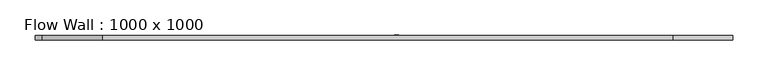
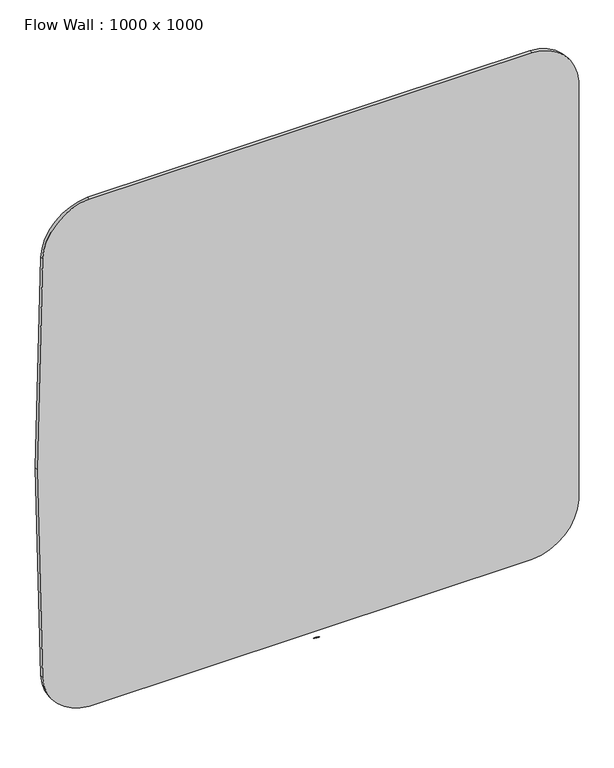
"""IFC4 building model written with IfcOpenShell, lengths in millimetres: furniture geometry, Flow Wall : 1000 x 1000."""

from ifc_helpers import new_model, si_unit, point, frame, frame_2d, origin, place, context, project, spatial, circle_curve, trimmed, segment, composite_curve, outline, extrude, source, transform, mapped, element, save


def flow_wall_1000_x_1000_b4646b79(model_context):
    return source(origin(), model_context, "Body", "SweptSolid", [
        extrude(outline(composite_curve([segment(trimmed(circle_curve(frame_2d((-7000.5698082, 0.0)), 8000.0), [point((989.2145285, 404.161172))], [point((989.2145285, -404.161172))], False, "CARTESIAN"), True, "CONTINUOUS"), segment(trimmed(circle_curve(frame_2d((899.3294547, -399.6143588)), 90.0), [point((989.2145285, -404.161172))], [point((903.8762679, -489.4994326))], False, "CARTESIAN"), True, "CONTINUOUS"), segment(trimmed(circle_curve(frame_2d((499.7150959, 7500.2849041)), 8000.0), [point((903.8762679, -489.4994326))], [point((499.7150959, -499.7150959))], False, "CARTESIAN"), True, "CONTINUOUS"), segment(trimmed(circle_curve(frame_2d((499.7150959, 7500.2849041)), 8000.0), [point((499.7150959, -499.7150959))], [point((95.5539239, -489.4994326))], False, "CARTESIAN"), True, "CONTINUOUS"), segment(trimmed(circle_curve(frame_2d((100.1007371, -399.6143588)), 90.0), [point((95.5539239, -489.4994326))], [point((10.2156633, -404.161172))], False, "CARTESIAN"), True, "CONTINUOUS"), segment(trimmed(circle_curve(frame_2d((8000.0, 0.0)), 8000.0), [point((10.2156633, -404.161172))], [point((10.2156633, 404.161172))], False, "CARTESIAN"), True, "CONTINUOUS"), segment(trimmed(circle_curve(frame_2d((100.1007371, 399.6143588)), 90.0), [point((10.2156633, 404.161172))], [point((95.5539239, 489.4994326))], False, "CARTESIAN"), True, "CONTINUOUS"), segment(trimmed(circle_curve(frame_2d((499.7150959, -7500.2849041)), 8000.0), [point((95.5539239, 489.4994326))], [point((903.8762679, 489.4994326))], False, "CARTESIAN"), True, "CONTINUOUS"), segment(trimmed(circle_curve(frame_2d((899.3294547, 399.6143588)), 90.0), [point((903.8762679, 489.4994326))], [point((989.2145285, 404.161172))], False, "CARTESIAN"), True, "CONTINUOUS")], self_intersect=False)), frame((0.0, -6.0, 0.0), z_axis=(0.0, 1.0, 0.0), x_axis=(0.0, 0.0, 1.0)), (0.0, 0.0, 1.0), 6.0),
        extrude(outline(composite_curve([segment(trimmed(circle_curve(frame_2d((17.8140378, -29.8743533)), 30.0), [point((16.9116166, 0.1120708))], [point((18.7164591, 0.1120708))], False, "CARTESIAN"), True, "CONTINUOUS"), segment(trimmed(circle_curve(frame_2d((18.713763, 0.022123)), 0.0899883), [point((18.7164591, 0.1120708))], [point((18.803638, 0.0266359))], False, "CARTESIAN"), True, "CONTINUOUS"), segment(trimmed(circle_curve(frame_2d((10.8137529, -0.3755281)), 8.0), [point((18.803638, 0.0266359))], [point((18.803638, -0.7776922))], False, "CARTESIAN"), True, "CONTINUOUS"), segment(trimmed(circle_curve(frame_2d((18.713763, -0.7731792)), 0.0899883), [point((18.803638, -0.7776922))], [point((18.7164591, -0.8631271))], False, "CARTESIAN"), True, "CONTINUOUS"), segment(trimmed(circle_curve(frame_2d((17.8140378, 29.1232971)), 30.0), [point((18.7164591, -0.8631271))], [point((16.9116166, -0.8631271))], False, "CARTESIAN"), True, "CONTINUOUS"), segment(trimmed(circle_curve(frame_2d((16.9143126, -0.7731792)), 0.0899883), [point((16.9116166, -0.8631271))], [point((16.8244376, -0.7776922))], False, "CARTESIAN"), True, "CONTINUOUS"), segment(trimmed(circle_curve(frame_2d((24.8143227, -0.3755281)), 8.0), [point((16.8244376, -0.7776922))], [point((16.8143227, -0.3755281))], False, "CARTESIAN"), True, "CONTINUOUS"), segment(trimmed(circle_curve(frame_2d((24.8143227, -0.3755281)), 8.0), [point((16.8143227, -0.3755281))], [point((16.8244376, 0.0266359))], False, "CARTESIAN"), True, "CONTINUOUS"), segment(trimmed(circle_curve(frame_2d((16.9143126, 0.022123)), 0.0899883), [point((16.8244376, 0.0266359))], [point((16.9116166, 0.1120708))], False, "CARTESIAN"), True, "CONTINUOUS")], self_intersect=False)), frame((0.0, 0.0, -7.4147222), z_axis=(0.0, 0.0, 1.0), x_axis=(1.0, 0.0, 0.0)), (0.0, 0.0, 1.0), 0.006),
        extrude(outline(composite_curve([segment(trimmed(circle_curve(frame_2d((14.8989791, -14.1960751)), 15.0), [point((14.2454051, 0.7896795))], [point((15.5525531, 0.7896795))], False, "CARTESIAN"), True, "CONTINUOUS"), segment(trimmed(circle_curve(frame_2d((15.5486316, 0.699765)), 0.09), [point((15.5525531, 0.7896795))], [point((15.6385171, 0.7043032))], False, "CARTESIAN"), True, "CONTINUOUS"), segment(trimmed(circle_curve(frame_2d((7.6486942, 0.3009066)), 8.0), [point((15.6385171, 0.7043032))], [point((15.6385171, -0.10249))], False, "CARTESIAN"), True, "CONTINUOUS"), segment(trimmed(circle_curve(frame_2d((15.5486316, -0.0979518)), 0.09), [point((15.6385171, -0.10249))], [point((15.5525531, -0.1878663))], False, "CARTESIAN"), True, "CONTINUOUS"), segment(trimmed(circle_curve(frame_2d((14.8989791, 14.7978883)), 15.0), [point((15.5525531, -0.1878663))], [point((14.2454051, -0.1878663))], False, "CARTESIAN"), True, "CONTINUOUS"), segment(trimmed(circle_curve(frame_2d((14.2493265, -0.0979518)), 0.09), [point((14.2454051, -0.1878663))], [point((14.159441, -0.10249))], False, "CARTESIAN"), True, "CONTINUOUS"), segment(trimmed(circle_curve(frame_2d((22.149264, 0.3009066)), 8.0), [point((14.159441, -0.10249))], [point((14.149264, 0.3009066))], False, "CARTESIAN"), True, "CONTINUOUS"), segment(trimmed(circle_curve(frame_2d((22.149264, 0.3009066)), 8.0), [point((14.149264, 0.3009066))], [point((14.159441, 0.7043032))], False, "CARTESIAN"), True, "CONTINUOUS"), segment(trimmed(circle_curve(frame_2d((14.2493265, 0.699765)), 0.09), [point((14.159441, 0.7043032))], [point((14.2454051, 0.7896795))], False, "CARTESIAN"), True, "CONTINUOUS")], self_intersect=False)), frame((0.0, 0.0, -7.4147222), z_axis=(0.0, 0.0, 1.0), x_axis=(1.0, 0.0, 0.0)), (0.0, 0.0, 1.0), 0.006),
        extrude(outline(composite_curve([segment(trimmed(circle_curve(frame_2d((13.2344979, -10.6292964)), 11.5), [point((12.7057204, 0.8585404))], [point((13.7632754, 0.8585404))], False, "CARTESIAN"), True, "CONTINUOUS"), segment(trimmed(circle_curve(frame_2d((13.7591372, 0.7686356)), 0.09), [point((13.7632754, 0.8585404))], [point((13.8490225, 0.7731768))], False, "CARTESIAN"), True, "CONTINUOUS"), segment(trimmed(circle_curve(frame_2d((5.859213, 0.369514)), 8.0), [point((13.8490225, 0.7731768))], [point((13.8490225, -0.0341489))], False, "CARTESIAN"), True, "CONTINUOUS"), segment(trimmed(circle_curve(frame_2d((13.7591372, -0.0296077)), 0.09), [point((13.8490225, -0.0341489))], [point((13.7632754, -0.1195125))], False, "CARTESIAN"), True, "CONTINUOUS"), segment(trimmed(circle_curve(frame_2d((13.2344979, 11.3683243)), 11.5), [point((13.7632754, -0.1195125))], [point((12.7057204, -0.1195125))], False, "CARTESIAN"), True, "CONTINUOUS"), segment(trimmed(circle_curve(frame_2d((12.7098586, -0.0296077)), 0.09), [point((12.7057204, -0.1195125))], [point((12.6199733, -0.0341489))], False, "CARTESIAN"), True, "CONTINUOUS"), segment(trimmed(circle_curve(frame_2d((20.6097828, 0.369514)), 8.0), [point((12.6199733, -0.0341489))], [point((12.6097828, 0.369514))], False, "CARTESIAN"), True, "CONTINUOUS"), segment(trimmed(circle_curve(frame_2d((20.6097828, 0.369514)), 8.0), [point((12.6097828, 0.369514))], [point((12.6199733, 0.7731768))], False, "CARTESIAN"), True, "CONTINUOUS"), segment(trimmed(circle_curve(frame_2d((12.7098586, 0.7686356)), 0.09), [point((12.6199733, 0.7731768))], [point((12.7057204, 0.8585404))], False, "CARTESIAN"), True, "CONTINUOUS")], self_intersect=False)), frame((0.0, 0.0, -7.4147222), z_axis=(0.0, 0.0, 1.0), x_axis=(1.0, 0.0, 0.0)), (0.0, 0.0, 1.0), 0.006),
        extrude(outline(composite_curve([segment(trimmed(circle_curve(frame_2d((11.880102, -7.1379444)), 8.0), [point((11.4759408, 0.85184))], [point((12.2842632, 0.85184))], False, "CARTESIAN"), True, "CONTINUOUS"), segment(trimmed(circle_curve(frame_2d((12.2797164, 0.7619549)), 0.09), [point((12.2842632, 0.85184))], [point((12.3696014, 0.7665017))], False, "CARTESIAN"), True, "CONTINUOUS"), segment(trimmed(circle_curve(frame_2d((4.3798171, 0.3623405)), 8.0), [point((12.3696014, 0.7665017))], [point((12.3696014, -0.0418206))], False, "CARTESIAN"), True, "CONTINUOUS"), segment(trimmed(circle_curve(frame_2d((12.2797164, -0.0372738)), 0.09), [point((12.3696014, -0.0418206))], [point((12.2842632, -0.1271589))], False, "CARTESIAN"), True, "CONTINUOUS"), segment(trimmed(circle_curve(frame_2d((11.880102, 7.8626254)), 8.0), [point((12.2842632, -0.1271589))], [point((11.4759408, -0.1271589))], False, "CARTESIAN"), True, "CONTINUOUS"), segment(trimmed(circle_curve(frame_2d((11.4804876, -0.0372738)), 0.09), [point((11.4759408, -0.1271589))], [point((11.3906026, -0.0418206))], False, "CARTESIAN"), True, "CONTINUOUS"), segment(trimmed(circle_curve(frame_2d((19.3803869, 0.3623405)), 8.0), [point((11.3906026, -0.0418206))], [point((11.3803869, 0.3623405))], False, "CARTESIAN"), True, "CONTINUOUS"), segment(trimmed(circle_curve(frame_2d((19.3803869, 0.3623405)), 8.0), [point((11.3803869, 0.3623405))], [point((11.3906026, 0.7665017))], False, "CARTESIAN"), True, "CONTINUOUS"), segment(trimmed(circle_curve(frame_2d((11.4804876, 0.7619549)), 0.09), [point((11.3906026, 0.7665017))], [point((11.4759408, 0.85184))], False, "CARTESIAN"), True, "CONTINUOUS")], self_intersect=False)), frame((0.0, 0.0, -7.4147222), z_axis=(0.0, 0.0, 1.0), x_axis=(1.0, 0.0, 0.0)), (0.0, 0.0, 1.0), 0.006),
        extrude(outline(composite_curve([segment(trimmed(circle_curve(frame_2d((10.7219096, -5.1332795)), 6.0), [point((10.4208166, 0.859161))], [point((11.0230025, 0.859161))], False, "CARTESIAN"), True, "CONTINUOUS"), segment(trimmed(circle_curve(frame_2d((11.0194898, 0.7892492)), 0.07), [point((11.0230025, 0.859161))], [point((11.0894016, 0.792762))], False, "CARTESIAN"), True, "CONTINUOUS"), segment(trimmed(circle_curve(frame_2d((5.0969611, 0.491669)), 6.0), [point((11.0894016, 0.792762))], [point((11.0894016, 0.1905761))], False, "CARTESIAN"), True, "CONTINUOUS"), segment(trimmed(circle_curve(frame_2d((11.0194898, 0.1940888)), 0.07), [point((11.0894016, 0.1905761))], [point((11.0230025, 0.124177))], False, "CARTESIAN"), True, "CONTINUOUS"), segment(trimmed(circle_curve(frame_2d((10.7219096, 6.1166175)), 6.0), [point((11.0230025, 0.124177))], [point((10.4208166, 0.124177))], False, "CARTESIAN"), True, "CONTINUOUS"), segment(trimmed(circle_curve(frame_2d((10.4243294, 0.1940888)), 0.07), [point((10.4208166, 0.124177))], [point((10.3544176, 0.1905761))], False, "CARTESIAN"), True, "CONTINUOUS"), segment(trimmed(circle_curve(frame_2d((16.346858, 0.491669)), 6.0), [point((10.3544176, 0.1905761))], [point((10.346858, 0.491669))], False, "CARTESIAN"), True, "CONTINUOUS"), segment(trimmed(circle_curve(frame_2d((16.346858, 0.491669)), 6.0), [point((10.346858, 0.491669))], [point((10.3544176, 0.792762))], False, "CARTESIAN"), True, "CONTINUOUS"), segment(trimmed(circle_curve(frame_2d((10.4243294, 0.7892492)), 0.07), [point((10.3544176, 0.792762))], [point((10.4208166, 0.859161))], False, "CARTESIAN"), True, "CONTINUOUS")], self_intersect=False)), frame((0.0, 0.0, -7.4147222), z_axis=(0.0, 0.0, 1.0), x_axis=(1.0, 0.0, 0.0)), (0.0, 0.0, 1.0), 0.006),
        extrude(outline(composite_curve([segment(trimmed(circle_curve(frame_2d((9.4837532, -3.2756697)), 4.0), [point((9.286245, 0.7194511))], [point((9.6812614, 0.7194511))], False, "CARTESIAN"), True, "CONTINUOUS"), segment(trimmed(circle_curve(frame_2d((9.6787926, 0.6695121)), 0.05), [point((9.6812614, 0.7194511))], [point((9.7287316, 0.6719809))], False, "CARTESIAN"), True, "CONTINUOUS"), segment(trimmed(circle_curve(frame_2d((5.7336107, 0.4744727)), 4.0), [point((9.7287316, 0.6719809))], [point((9.7287316, 0.2769645))], False, "CARTESIAN"), True, "CONTINUOUS"), segment(trimmed(circle_curve(frame_2d((9.6787926, 0.2794333)), 0.05), [point((9.7287316, 0.2769645))], [point((9.6812614, 0.2294943))], False, "CARTESIAN"), True, "CONTINUOUS"), segment(trimmed(circle_curve(frame_2d((9.4837532, 4.2246152)), 4.0), [point((9.6812614, 0.2294943))], [point((9.286245, 0.2294943))], False, "CARTESIAN"), True, "CONTINUOUS"), segment(trimmed(circle_curve(frame_2d((9.2887138, 0.2794333)), 0.05), [point((9.286245, 0.2294943))], [point((9.2387748, 0.2769645))], False, "CARTESIAN"), True, "CONTINUOUS"), segment(trimmed(circle_curve(frame_2d((13.2338956, 0.4744727)), 4.0), [point((9.2387748, 0.2769645))], [point((9.2338956, 0.4744727))], False, "CARTESIAN"), True, "CONTINUOUS"), segment(trimmed(circle_curve(frame_2d((13.2338956, 0.4744727)), 4.0), [point((9.2338956, 0.4744727))], [point((9.2387748, 0.6719809))], False, "CARTESIAN"), True, "CONTINUOUS"), segment(trimmed(circle_curve(frame_2d((9.2887138, 0.6695121)), 0.05), [point((9.2387748, 0.6719809))], [point((9.286245, 0.7194511))], False, "CARTESIAN"), True, "CONTINUOUS")], self_intersect=False)), frame((0.0, 0.0, -7.4147222), z_axis=(0.0, 0.0, 1.0), x_axis=(1.0, 0.0, 0.0)), (0.0, 0.0, 1.0), 0.006),
        extrude(outline(composite_curve([segment(trimmed(circle_curve(frame_2d((8.6540231, -2.2771172)), 2.7), [point((8.5348244, 0.4202503))], [point((8.7732217, 0.4202503))], False, "CARTESIAN"), True, "CONTINUOUS"), segment(trimmed(circle_curve(frame_2d((8.7718973, 0.3902796)), 0.03), [point((8.7732217, 0.4202503))], [point((8.8018681, 0.391604))], False, "CARTESIAN"), True, "CONTINUOUS"), segment(trimmed(circle_curve(frame_2d((6.1045005, 0.2724054)), 2.7), [point((8.8018681, 0.391604))], [point((8.8018681, 0.1532067))], False, "CARTESIAN"), True, "CONTINUOUS"), segment(trimmed(circle_curve(frame_2d((8.7718973, 0.1545311)), 0.03), [point((8.8018681, 0.1532067))], [point((8.7732217, 0.1245604))], False, "CARTESIAN"), True, "CONTINUOUS"), segment(trimmed(circle_curve(frame_2d((8.6540231, 2.8219279)), 2.7), [point((8.7732217, 0.1245604))], [point((8.5348244, 0.1245604))], False, "CARTESIAN"), True, "CONTINUOUS"), segment(trimmed(circle_curve(frame_2d((8.5361489, 0.1545311)), 0.03), [point((8.5348244, 0.1245604))], [point((8.5061781, 0.1532067))], False, "CARTESIAN"), True, "CONTINUOUS"), segment(trimmed(circle_curve(frame_2d((11.2035457, 0.2724054)), 2.7), [point((8.5061781, 0.1532067))], [point((8.5035457, 0.2724054))], False, "CARTESIAN"), True, "CONTINUOUS"), segment(trimmed(circle_curve(frame_2d((11.2035457, 0.2724054)), 2.7), [point((8.5035457, 0.2724054))], [point((8.5061781, 0.391604))], False, "CARTESIAN"), True, "CONTINUOUS"), segment(trimmed(circle_curve(frame_2d((8.5361489, 0.3902796)), 0.03), [point((8.5061781, 0.391604))], [point((8.5348244, 0.4202503))], False, "CARTESIAN"), True, "CONTINUOUS")], self_intersect=False)), frame((0.0, 0.0, -7.4147222), z_axis=(0.0, 0.0, 1.0), x_axis=(1.0, 0.0, 0.0)), (0.0, 0.0, 1.0), 0.006),
    ])


if __name__ == "__main__":
    model = new_model("IFC4")
    model_context = context("Model", 3, world=origin())
    ifc_project = project(units=[si_unit("LENGTHUNIT", "METRE", prefix="MILLI")], contexts=[model_context])
    site = spatial("IfcSite", under=ifc_project)
    building = spatial("IfcBuilding", under=site)
    placement = place(None, origin())
    flow_wall_1000_x_1000_shape = flow_wall_1000_x_1000_b4646b79(model_context)
    element("IfcFurniture", 1, ObjectType="Flow Wall : 1000 x 1000", at=placement, inside=building, context=model_context, shape_type="MappedRepresentation", body=[
        mapped(flow_wall_1000_x_1000_shape, transform((0.0, 0.0, 0.0), x_axis=(1.0, 0.0, 0.0), y_axis=(0.0, 1.0, 0.0), z_axis=(0.0, 0.0, 1.0))),
    ])
    save(model, "model.ifc")
